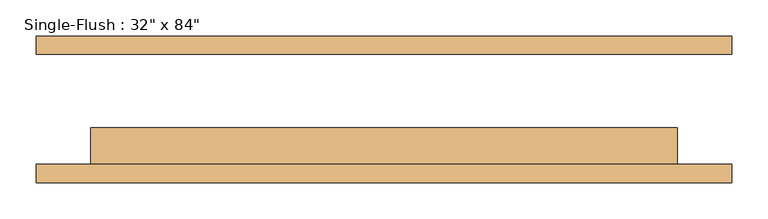
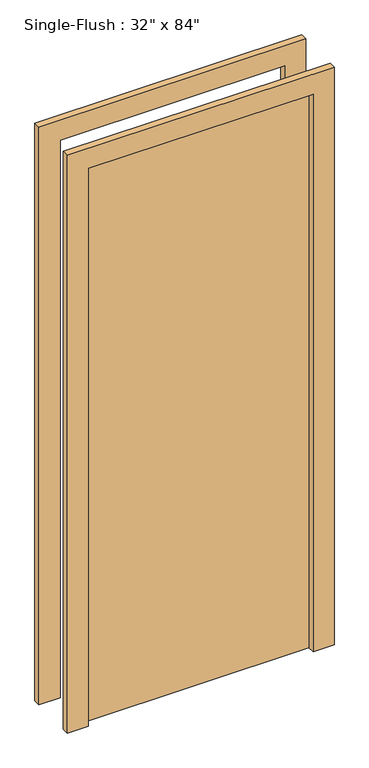
"""IFC4 building model written with IfcOpenShell, lengths in millimetres: door geometry."""

from ifc_helpers import new_model, si_unit, frame, origin, origin_with_axes, place, context, project, spatial, polyline, outline, extrude, source, transform, mapped, element, save


def door_bb092f7c(model_context):
    return source(origin(), model_context, "Body", "SweptSolid", [
        extrude(outline(polyline([(2209.8, -482.6), (0.0, -482.6), (0.0, -406.4), (2133.6, -406.4), (2133.6, 406.4), (0.0, 406.4), (0.0, 482.6), (2209.8, 482.6), (2209.8, -482.6)])), frame((0.0, -101.6, 0.0), z_axis=(0.0, 1.0, 0.0), x_axis=(0.0, 0.0, 1.0)), (0.0, 0.0, 1.0), 25.4),
        extrude(outline(polyline([(2209.8, 482.6), (2209.8, -482.6), (0.0, -482.6), (0.0, -406.4), (2133.6, -406.4), (2133.6, 406.4), (0.0, 406.4), (0.0, 482.6), (2209.8, 482.6)])), frame((0.0, 76.2, 0.0), z_axis=(0.0, 1.0, 0.0), x_axis=(0.0, 0.0, 1.0)), (0.0, 0.0, 1.0), 25.4),
        extrude(outline(polyline([(406.4, -25.4), (406.4, -76.2), (-406.4, -76.2), (-406.4, -25.4), (406.4, -25.4)])), origin_with_axes(), (0.0, 0.0, 1.0), 2133.6),
    ])


if __name__ == "__main__":
    model = new_model("IFC4")
    model_context = context("Model", 3, world=origin())
    ifc_project = project(units=[si_unit("LENGTHUNIT", "METRE", prefix="MILLI")], contexts=[model_context])
    site = spatial("IfcSite", under=ifc_project)
    building = spatial("IfcBuilding", under=site)
    placement = place(None, origin())
    door_shape = door_bb092f7c(model_context)
    element("IfcDoor", 1, ObjectType="Single-Flush : 32\" x 84\"", at=placement, inside=building, context=model_context, shape_type="MappedRepresentation", body=[
        mapped(door_shape, transform((0.0, 0.0, 0.0), x_axis=(1.0, 0.0, 0.0), y_axis=(0.0, 1.0, 0.0), z_axis=(0.0, 0.0, 1.0))),
    ])
    save(model, "model.ifc")
